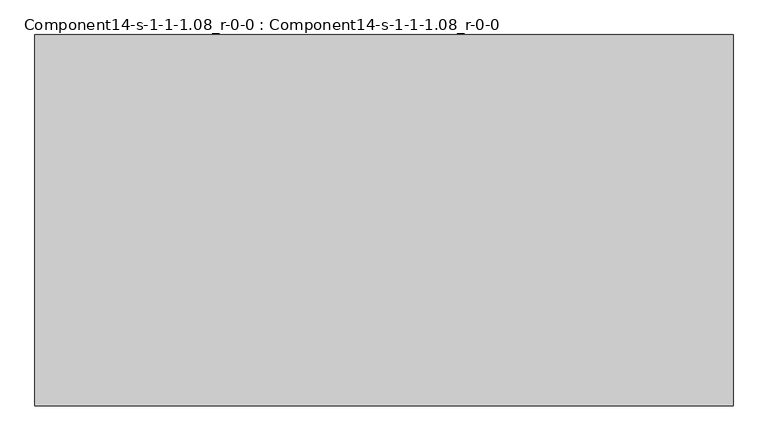
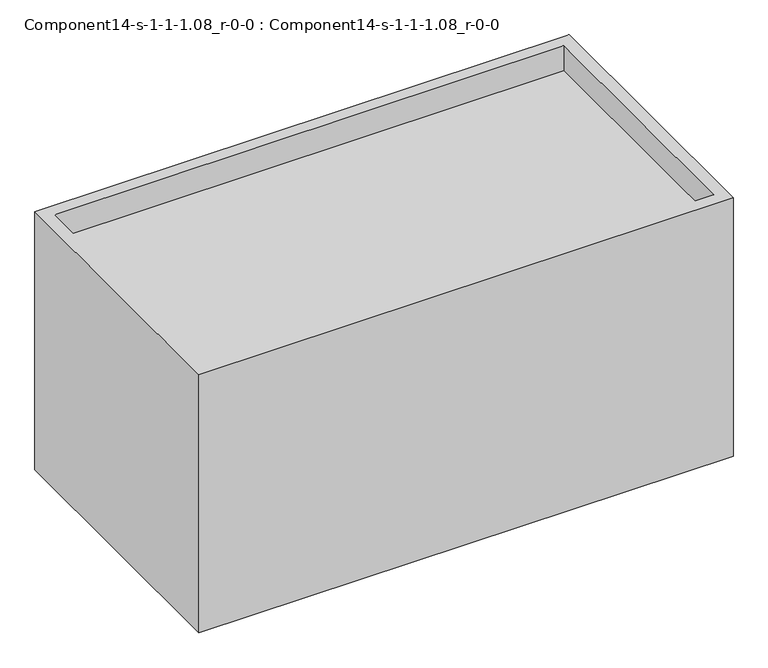
"""IFC4 building model written with IfcOpenShell, lengths in millimetres: geographic element geometry, Component14-s-1-1-1.08_r-0-0 : Component14-s-1-1-1.08_r-0-0."""

from ifc_helpers import new_model, si_unit, origin, place, context, project, spatial, triangles, source, transform, mapped, element, save


def component14_s_1_1_1_08_r_0_0_component14_s_1_1_1_08_r_0_0_a59d51a2(model_context):
    return source(origin(), model_context, "Body", "Tessellation", [
        triangles([(13409.6128876, 7135.8126938, 0.0), (0.0, 0.0, 0.0), (0.0, 7135.8126938, 0.0), (13409.6128876, 0.0, 0.0), (304.8, 6831.0126938, 6194.3974823), (304.8, 304.8, 6852.7654358), (304.8, 304.8, 6194.3974823), (304.8, 6831.0126938, 6852.7654358), (13104.8128876, 304.8, 6194.3974823), (13104.8128876, 304.8, 6852.7654358), (13104.8128876, 6831.0126938, 6194.3974823), (13409.6128876, 0.0, 6852.7654358), (13409.6128876, 7135.8126938, 6852.7654358), (13104.8128876, 6831.0126938, 6852.7654358), (0.0, 0.0, 6852.7654358), (0.0, 7135.8126938, 6852.7654358)], [[1, 2, 3], [2, 1, 4], [5, 6, 7], [6, 5, 8], [6, 9, 7], [9, 6, 10], [9, 5, 7], [5, 9, 11], [1, 12, 4], [12, 1, 13], [14, 9, 10], [9, 14, 11], [15, 6, 16], [6, 15, 12], [6, 12, 10], [10, 12, 14], [16, 8, 13], [8, 16, 6], [13, 8, 14], [13, 14, 12], [12, 2, 4], [2, 12, 15], [16, 2, 15], [2, 16, 3], [16, 1, 3], [1, 16, 13], [14, 5, 11], [5, 14, 8]]),
    ])


if __name__ == "__main__":
    model = new_model("IFC4")
    model_context = context("Model", 3, world=origin())
    ifc_project = project(units=[si_unit("LENGTHUNIT", "METRE", prefix="MILLI")], contexts=[model_context])
    site = spatial("IfcSite", under=ifc_project)
    building = spatial("IfcBuilding", under=site)
    placement = place(None, origin())
    component14_s_1_1_1_08_r_0_0_component14_s_1_1_1_08_r_0_0_shape = component14_s_1_1_1_08_r_0_0_component14_s_1_1_1_08_r_0_0_a59d51a2(model_context)
    element("IfcGeographicElement", 1, ObjectType="Component14-s-1-1-1.08_r-0-0 : Component14-s-1-1-1.08_r-0-0", at=placement, inside=building, context=model_context, shape_type="MappedRepresentation", body=[
        mapped(component14_s_1_1_1_08_r_0_0_component14_s_1_1_1_08_r_0_0_shape, transform((0.0, 0.0, 0.0), x_axis=(1.0, 0.0, 0.0), y_axis=(0.0, 1.0, 0.0), z_axis=(0.0, 0.0, 1.0))),
    ])
    save(model, "model.ifc")
